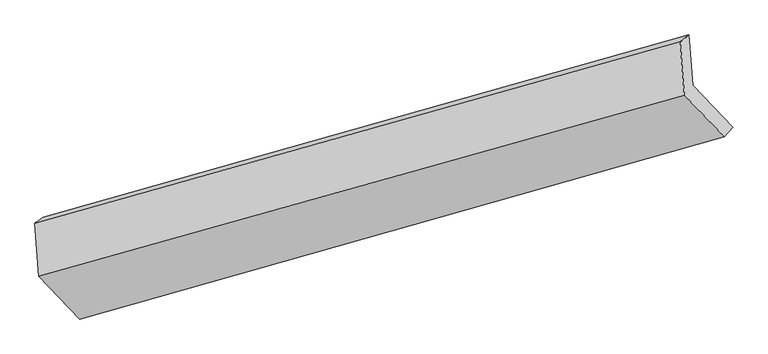
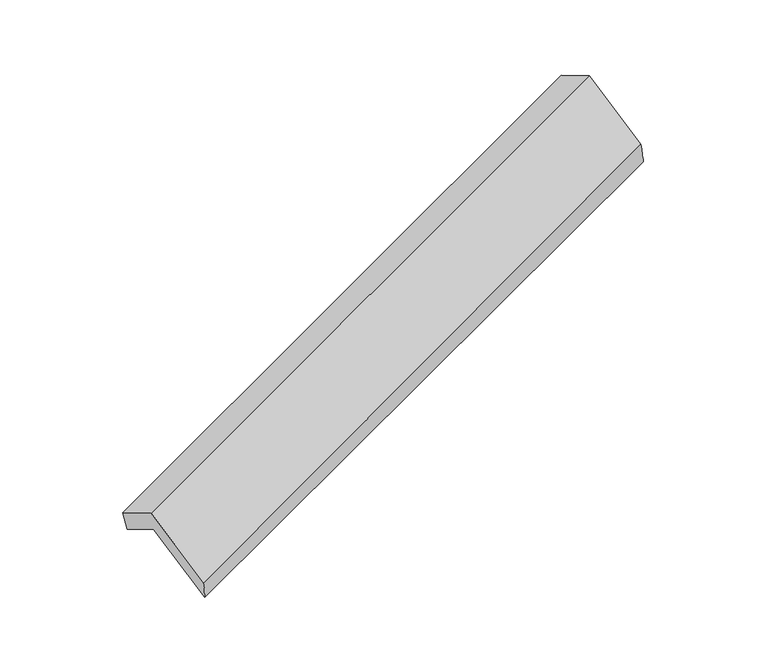
"""IFC4 building model written with IfcOpenShell, lengths in millimetres: proxy geometry."""

from ifc_helpers import new_model, si_unit, frame, origin, place, context, project, spatial, source, transform, mapped, element, save
from ifc_brep_helpers import plane_surface, spline_surface, advanced_brep


def generic_models_af5f7e25(model_context):
    return source(origin(), model_context, "Body", "AdvancedBrep", [
        advanced_brep(
        [(-5087.2672696, -2110.8539779, 1280.6707894), (-5112.9733873, -1771.1091192, 1086.6632883), (-765.5499206, -544.2946199, 2659.0176445), (-739.8438029, -884.0394786, 2853.0251455), (-5170.2899546, -1810.6123235, 1276.9767983), (-823.9337585, -591.7254295, 2858.4955948), (-5143.1268687, -2169.6132009, 1481.9802335), (-796.9163699, -948.8006977, 3062.3994324), (-4868.9921038, -2456.3634192, 943.5018121), (-528.653559, -1229.4087396, 2535.4551937), (-4823.1031752, -2387.1746838, 761.7775924), (-471.580992, -1164.6475205, 2326.0809069)],
        [
            (0, 1),
            (1, 2),
            (2, 3),
            (3, 0),
            (1, 4),
            (4, 5),
            (5, 2),
            (4, 6),
            (6, 7),
            (7, 5),
            (6, 8),
            (8, 9),
            (9, 7),
            (8, 10),
            (10, 11),
            (11, 9),
            (10, 0),
            (3, 11),
        ],
        [
            plane_surface(frame((-5100.1203284, -1940.9815485, 1183.6670388), z_axis=(0.4117728631818268, -0.4281982880813306, -0.8044186318275195), x_axis=(-0.06556354490614874, 0.8665204744005162, -0.49481682370756536))),
            spline_surface(1, 1, [[(-5112.9733873, -1771.1091192, 1086.6632883), (-765.5499206, -544.2946199, 2659.0176445)], [(-5170.2899546, -1810.6123235, 1276.9767983), (-823.9337585, -591.7254295, 2858.4955948)]], [2, 2], [2, 2], [0.0, 1.0], [0.0, 1.0]),
            plane_surface(frame((-5156.7084116, -1990.1127622, 1379.4785159), z_axis=(-0.4126120390282493, 0.42796124601705543, 0.804114716415811), x_axis=(0.06556354490614742, -0.8665204744005167, 0.4948168237075648))),
            plane_surface(frame((-5006.0594862, -2312.9883101, 1212.7410228), z_axis=(0.06383023828545786, -0.867005827925484, 0.4941928722914444), x_axis=(0.4098716548334869, -0.4287336068421305, -0.805104167749861))),
            spline_surface(1, 1, [[(-4868.9921038, -2456.3634192, 943.5018121), (-528.653559, -1229.4087396, 2535.4551937)], [(-4823.1031752, -2387.1746838, 761.7775924), (-471.580992, -1164.6475205, 2326.0809069)]], [2, 2], [2, 2], [0.0, 1.0], [0.0, 1.0]),
            plane_surface(frame((-4955.1852224, -2249.0143308, 1021.2241909), z_axis=(-0.06556354490613242, 0.8665204744005219, -0.4948168237075575), x_axis=(-0.4098716548334781, 0.42873360684212136, 0.8051041677498704))),
            plane_surface(frame((-687.7464005, -893.8194143, 2715.745653), z_axis=(0.9097838469347587, 0.2555968736288424, 0.3270528857046724), x_axis=(0.25200884043865757, 0.28595874685082634, -0.9245102159739872))),
            plane_surface(frame((-5034.2921265, -2117.6211207, 1138.5950857), z_axis=(-0.9097838469347659, -0.2555968736287434, -0.32705288570472935), x_axis=(0.40987165483347937, -0.42873360684213296, -0.8051041677498637))),
        ],
        [
            (0, [[1, 2, 3, 4]]),
            (1, [[5, 6, 7, -2]]),
            (2, [[8, 9, 10, -6]]),
            (3, [[11, 12, 13, -9]]),
            (4, [[14, 15, 16, -12]]),
            (5, [[17, -4, 18, -15]]),
            (6, [[-16, -18, -3, -7, -10, -13]]),
            (7, [[-17, -14, -11, -8, -5, -1]]),
        ],
    ),
    ])


if __name__ == "__main__":
    model = new_model("IFC4")
    model_context = context("Model", 3, world=origin())
    ifc_project = project(units=[si_unit("LENGTHUNIT", "METRE", prefix="MILLI")], contexts=[model_context])
    site = spatial("IfcSite", under=ifc_project)
    building = spatial("IfcBuilding", under=site)
    placement = place(None, origin())
    generic_models_shape = generic_models_af5f7e25(model_context)
    element("IfcBuildingElementProxy", 1, Name="Generic Models", at=placement, inside=building, context=model_context, shape_type="MappedRepresentation", body=[
        mapped(generic_models_shape, transform((0.0, 0.0, 0.0), x_axis=(1.0, 0.0, 0.0), y_axis=(0.0, 1.0, 0.0), z_axis=(0.0, 0.0, 1.0))),
    ])
    save(model, "model.ifc")
